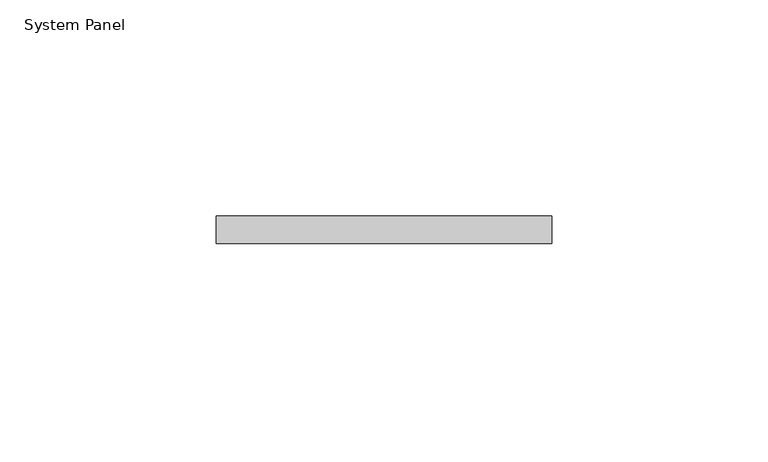
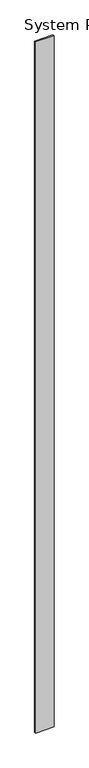
"""IFC4 building model written with IfcOpenShell, lengths in millimetres: plate geometry, System Panel."""

from ifc_helpers import new_model, si_unit, origin, origin_with_axes, place, context, project, spatial, polyline, outline, extrude, source, transform, mapped, element, save


def system_panel_647cc21e(model_context):
    return source(origin(), model_context, "Body", "SweptSolid", [
        extrude(outline(polyline([(38.7442029, -6.35), (-38.7442029, -6.35), (-38.7442029, 0.0), (38.7442029, 0.0), (38.7442029, -6.35)])), origin_with_axes(), (0.0, 0.0, 1.0), 3048.0),
    ])


if __name__ == "__main__":
    model = new_model("IFC4")
    model_context = context("Model", 3, world=origin())
    ifc_project = project(units=[si_unit("LENGTHUNIT", "METRE", prefix="MILLI")], contexts=[model_context])
    site = spatial("IfcSite", under=ifc_project)
    building = spatial("IfcBuilding", under=site)
    placement = place(None, origin())
    system_panel_shape = system_panel_647cc21e(model_context)
    element("IfcPlate", 1, ObjectType="System Panel", at=placement, inside=building, context=model_context, shape_type="MappedRepresentation", body=[
        mapped(system_panel_shape, transform((0.0, 0.0, 0.0), x_axis=(1.0, 0.0, 0.0), y_axis=(0.0, 1.0, 0.0), z_axis=(0.0, 0.0, 1.0))),
    ])
    save(model, "model.ifc")
